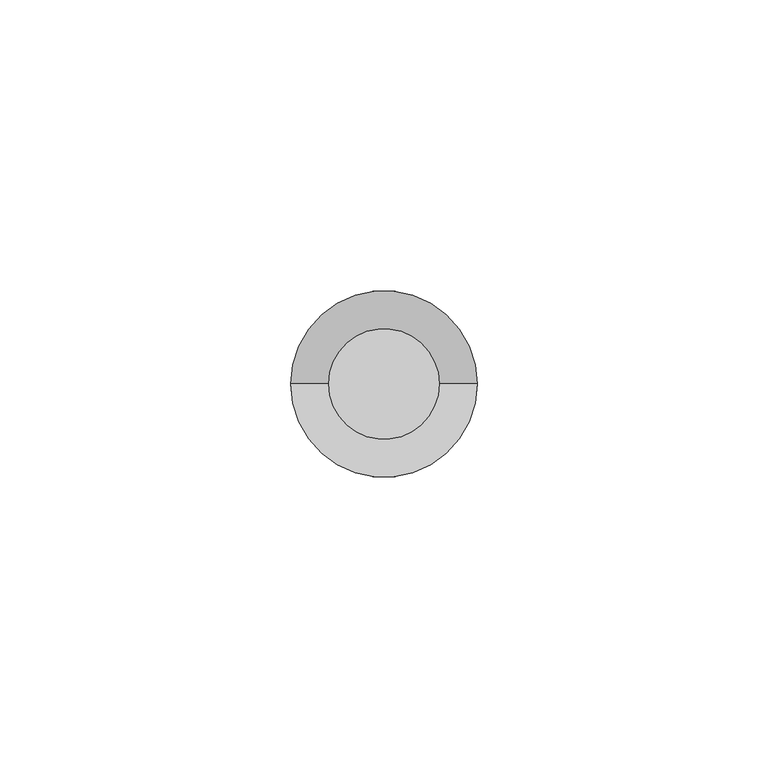
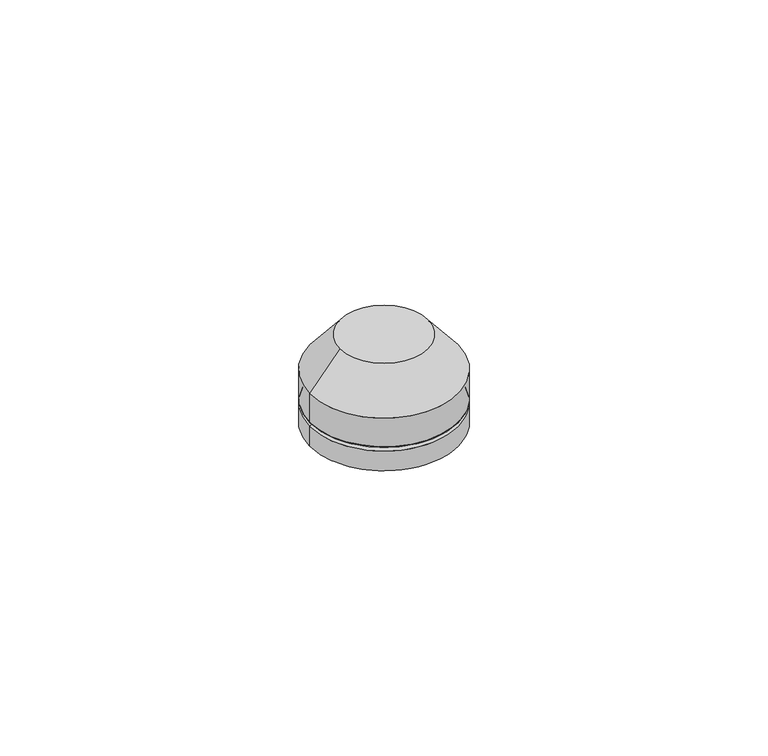
"""IFC4 building model written with IfcOpenShell, lengths in millimetres: proxy geometry."""

from ifc_helpers import new_model, si_unit, point, frame, origin, origin_with_axes, place, context, project, spatial, polyline, circle_curve, ellipse_curve, trimmed, source, transform, mapped, element, save
from ifc_brep_helpers import plane_surface, cylinder_surface, revolved_surface, advanced_brep


def generic_models_c1ea1f06(model_context):
    return source(origin(), model_context, "Body", "AdvancedBrep", [
        advanced_brep(
        [(15.4846932, 0.0, 5.0), (-15.4846932, 0.0, 5.0), (-16.0, 0.0, 0.0), (16.0, 0.0, 0.0), (16.0, 0.0, 4.4846933), (-16.0, 0.0, 4.4846932)],
        [
            (0, 1, circle_curve(frame((0.0, 0.0, 5.0), z_axis=(0.0, 0.0, 1.0), x_axis=(1.0, 0.0, 0.0)), 15.4846932)),
            (1, 0, circle_curve(frame((0.0, 0.0, 5.0), z_axis=(0.0, 0.0, 1.0), x_axis=(1.0, 0.0, 0.0)), 15.4846932)),
            (2, 3, circle_curve(frame((0.0, 0.0, 0.0), z_axis=(0.0, 0.0, -1.0), x_axis=(1.0, 0.0, 0.0)), 16.0)),
            (3, 2, circle_curve(frame((0.0, 0.0, 0.0), z_axis=(0.0, 0.0, -1.0), x_axis=(1.0, 0.0, 0.0)), 16.0)),
            (3, 4),
            (4, 5, circle_curve(frame((0.0, 0.0, 4.4846932), z_axis=(0.0, 0.0, -1.0), x_axis=(1.0, 0.0, 0.0)), 16.0)),
            (5, 2),
            (5, 4, circle_curve(frame((0.0, 0.0, 4.4846932), z_axis=(0.0, 0.0, -1.0), x_axis=(1.0, 0.0, 0.0)), 16.0)),
            (5, 1, circle_curve(frame((-15.4846932, 0.0, 4.4846932), z_axis=(0.0, 1.0, 0.0), x_axis=(-1.0, 0.0, 0.0)), 0.5153068)),
            (0, 4, circle_curve(frame((15.4846932, 0.0, 4.4846932), z_axis=(0.0, 1.0, 0.0), x_axis=(1.0, 0.0, 0.0)), 0.5153068)),
        ],
        [
            plane_surface(frame((16.0, 0.0, 5.0), z_axis=(0.0, 0.0, 1.0), x_axis=(0.0, 1.0, 0.0))),
            plane_surface(frame((16.0, 0.0, 0.0), z_axis=(0.0, 0.0, -1.0), x_axis=(0.0, -1.0, 0.0))),
            cylinder_surface(origin_with_axes(), 16.0),
            revolved_surface(trimmed(ellipse_curve(frame((15.4846932, 0.0, 4.4846932), z_axis=(0.0, -1.0, 0.0), x_axis=(1.0, 0.0, 0.0)), 0.5153068, 0.5153068), [point((16.0, 0.0, 4.4846932))], [point((15.4846932, 0.0, 5.0))], True, "CARTESIAN"), (0.0, 0.0, 2215.3150031), (0.0, 0.0, 1.0)),
        ],
        [
            (0, [[1, 2]]),
            (1, [[3, 4]]),
            (2, [[-4, 5, 6, 7]]),
            (2, [[-3, -7, 8, -5]]),
            (3, [[9, -1, 10, -8]]),
            (3, [[-9, -6, -10, -2]]),
        ],
    ),
        advanced_brep(
        [(-15.4846932, 0.0, 5.0), (15.4846932, 0.0, 5.0), (16.0, 0.0, 12.0), (-16.0, 0.0, 12.0), (-16.0, 0.0, 5.5153068), (16.0, 0.0, 5.5153068), (-9.5, 0.0, 20.0), (9.5, 0.0, 20.0)],
        [
            (0, 1, circle_curve(frame((0.0, 0.0, 5.0), z_axis=(0.0, 0.0, -1.0), x_axis=(1.0, 0.0, 0.0)), 15.4846932)),
            (1, 0, circle_curve(frame((0.0, 0.0, 5.0), z_axis=(0.0, 0.0, -1.0), x_axis=(1.0, 0.0, 0.0)), 15.4846932)),
            (2, 3, circle_curve(frame((0.0, 0.0, 12.0), z_axis=(0.0, 0.0, -1.0), x_axis=(1.0, 0.0, 0.0)), 16.0)),
            (3, 4),
            (4, 5, circle_curve(frame((0.0, 0.0, 5.5153068), z_axis=(0.0, 0.0, 1.0), x_axis=(1.0, 0.0, 0.0)), 16.0)),
            (5, 2),
            (3, 2, circle_curve(frame((0.0, 0.0, 12.0), z_axis=(0.0, 0.0, -1.0), x_axis=(1.0, 0.0, 0.0)), 16.0)),
            (5, 4, circle_curve(frame((0.0, 0.0, 5.5153068), z_axis=(0.0, 0.0, 1.0), x_axis=(1.0, 0.0, 0.0)), 16.0)),
            (6, 7, circle_curve(frame((0.0, 0.0, 20.0), z_axis=(0.0, 0.0, 1.0), x_axis=(-1.0, 0.0, 0.0)), 9.5)),
            (7, 6, circle_curve(frame((0.0, 0.0, 20.0), z_axis=(0.0, 0.0, 1.0), x_axis=(1.0, 0.0, 0.0)), 9.5)),
            (6, 3),
            (2, 7),
            (0, 4, circle_curve(frame((-15.4846932, 0.0, 5.5153068), z_axis=(0.0, 1.0, 0.0), x_axis=(-1.0, 0.0, 0.0)), 0.5153068)),
            (5, 1, circle_curve(frame((15.4846932, 0.0, 5.5153068), z_axis=(0.0, 1.0, 0.0), x_axis=(1.0, 0.0, 0.0)), 0.5153068)),
        ],
        [
            plane_surface(frame((16.0, 0.0, 5.0), z_axis=(0.0, 0.0, -1.0), x_axis=(0.0, -1.0, 0.0))),
            cylinder_surface(frame((0.0, 0.0, 5.0), z_axis=(0.0, 0.0, 1.0), x_axis=(1.0, 0.0, 0.0)), 16.0),
            plane_surface(frame((0.0, 0.0, 20.0), z_axis=(0.0, 0.0, 1.0), x_axis=(0.0, -1.0, 0.0))),
            revolved_surface(polyline([(-9.500000002539062, 0.0, 20.0), (-16.0, 0.0, 12.0)]), (0.0, 0.0, 31.6923077), (0.0, 0.0, -1.0)),
            revolved_surface(polyline([(9.500000002539062, 0.0, 20.0), (16.0, 0.0, 12.0)]), (0.0, 0.0, 31.6923077), (0.0, 0.0, -1.0)),
            revolved_surface(trimmed(ellipse_curve(frame((15.4846932, 0.0, 5.5153068), z_axis=(0.0, -1.0, 0.0), x_axis=(1.0, 0.0, 0.0)), 0.5153068, 0.5153068), [point((15.4846932, 0.0, 5.0))], [point((16.0, 0.0, 5.5153068))], True, "CARTESIAN"), (0.0, 0.0, 2215.3150031), (0.0, 0.0, 1.0)),
        ],
        [
            (0, [[1, 2]]),
            (1, [[3, 4, 5, 6]]),
            (1, [[7, -6, 8, -4]]),
            (2, [[9, 10]]),
            (3, [[-9, 11, -3, 12]]),
            (4, [[-10, -12, -7, -11]]),
            (5, [[13, -8, 14, -1]]),
            (5, [[-13, -2, -14, -5]]),
        ],
    ),
    ])


if __name__ == "__main__":
    model = new_model("IFC4")
    model_context = context("Model", 3, world=origin())
    ifc_project = project(units=[si_unit("LENGTHUNIT", "METRE", prefix="MILLI")], contexts=[model_context])
    site = spatial("IfcSite", under=ifc_project)
    building = spatial("IfcBuilding", under=site)
    placement = place(None, origin())
    generic_models_shape = generic_models_c1ea1f06(model_context)
    element("IfcBuildingElementProxy", 1, Name="Generic Models", at=placement, inside=building, context=model_context, shape_type="MappedRepresentation", body=[
        mapped(generic_models_shape, transform((0.0, 0.0, 0.0), x_axis=(1.0, 0.0, 0.0), y_axis=(0.0, 1.0, 0.0), z_axis=(0.0, 0.0, 1.0))),
    ])
    save(model, "model.ifc")
